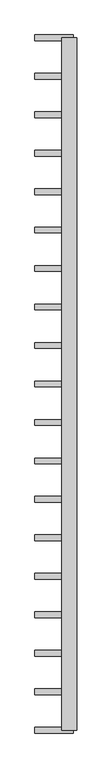
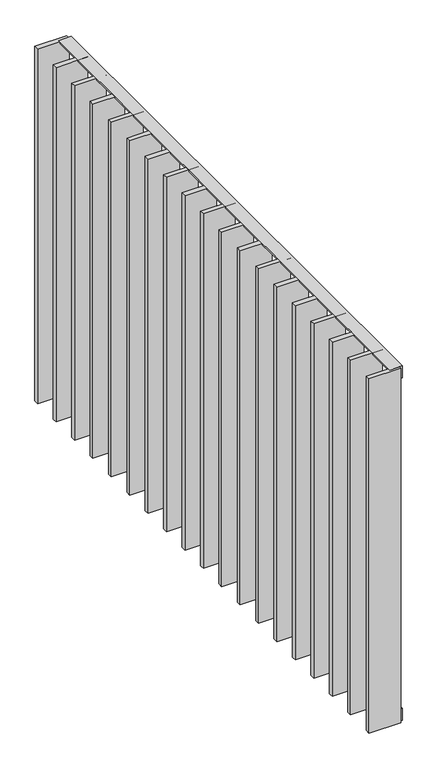
"""IFC4 building model written with IfcOpenShell, lengths in millimetres: railing geometry."""

from ifc_helpers import new_model, si_unit, frame, origin, place, context, project, spatial, polyline, outline, extrude, source, transform, mapped, element, save


def railing_60c10d57(model_context):
    return source(origin(), model_context, "Body", "SweptSolid", [
        extrude(outline(polyline([(6.0, -14.0), (40.0, -14.0), (40.0, -20.0), (0.0, -20.0), (0.0, 20.0), (6.0, 20.0), (6.0, -14.0)])), frame((4559.5112278, 21360.9194272, 8000.0), z_axis=(-2.544438619277312e-12, 1.0, 0.0), x_axis=(0.0, 0.0, -1.0)), (0.0, 0.0, 1.0), 1810.0),
        extrude(outline(polyline([(-6.0, -14.0), (-6.0, 20.0), (0.0, 20.0), (0.0, -20.0), (-40.0, -20.0), (-40.0, -14.0), (-6.0, -14.0)])), frame((4559.5112278, 21360.9194272, 6820.0), z_axis=(-2.544438619277312e-12, 1.0, 0.0), x_axis=(0.0, 0.0, -1.0)), (0.0, 0.0, 1.0), 1810.0),
        extrude(outline(polyline([(4569.5112278, 21468.9749827), (4569.5112278, 21453.9749827), (4469.5112278, 21453.9749827), (4469.5112278, 21468.9749827), (4569.5112278, 21468.9749827)])), frame((0.0, 0.0, 6819.9), z_axis=(0.0, 0.0, 1.0), x_axis=(1.0, 0.0, 0.0)), (0.0, 0.0, 1.0), 1180.2),
        extrude(outline(polyline([(4569.5112278, 21569.5305383), (4569.5112278, 21554.5305383), (4469.5112278, 21554.5305383), (4469.5112278, 21569.5305383), (4569.5112278, 21569.5305383)])), frame((0.0, 0.0, 6819.9), z_axis=(0.0, 0.0, 1.0), x_axis=(1.0, 0.0, 0.0)), (0.0, 0.0, 1.0), 1180.2),
        extrude(outline(polyline([(4569.5112278, 21670.0860938), (4569.5112278, 21655.0860938), (4469.5112278, 21655.0860938), (4469.5112278, 21670.0860938), (4569.5112278, 21670.0860938)])), frame((0.0, 0.0, 6819.9), z_axis=(0.0, 0.0, 1.0), x_axis=(1.0, 0.0, 0.0)), (0.0, 0.0, 1.0), 1180.2),
        extrude(outline(polyline([(4569.5112278, 21770.6416494), (4569.5112278, 21755.6416494), (4469.5112278, 21755.6416494), (4469.5112278, 21770.6416494), (4569.5112278, 21770.6416494)])), frame((0.0, 0.0, 6819.9), z_axis=(0.0, 0.0, 1.0), x_axis=(1.0, 0.0, 0.0)), (0.0, 0.0, 1.0), 1180.2),
        extrude(outline(polyline([(4569.5112278, 21871.1972049), (4569.5112278, 21856.1972049), (4469.5112278, 21856.1972049), (4469.5112278, 21871.1972049), (4569.5112278, 21871.1972049)])), frame((0.0, 0.0, 6819.9), z_axis=(0.0, 0.0, 1.0), x_axis=(1.0, 0.0, 0.0)), (0.0, 0.0, 1.0), 1180.2),
        extrude(outline(polyline([(4569.5112278, 21971.7527605), (4569.5112278, 21956.7527605), (4469.5112278, 21956.7527605), (4469.5112278, 21971.7527605), (4569.5112278, 21971.7527605)])), frame((0.0, 0.0, 6819.9), z_axis=(0.0, 0.0, 1.0), x_axis=(1.0, 0.0, 0.0)), (0.0, 0.0, 1.0), 1180.2),
        extrude(outline(polyline([(4569.5112278, 22072.308316), (4569.5112278, 22057.308316), (4469.5112278, 22057.308316), (4469.5112278, 22072.308316), (4569.5112278, 22072.308316)])), frame((0.0, 0.0, 6819.9), z_axis=(0.0, 0.0, 1.0), x_axis=(1.0, 0.0, 0.0)), (0.0, 0.0, 1.0), 1180.2),
        extrude(outline(polyline([(4569.5112278, 22172.8638716), (4569.5112278, 22157.8638716), (4469.5112278, 22157.8638716), (4469.5112278, 22172.8638716), (4569.5112278, 22172.8638716)])), frame((0.0, 0.0, 6819.9), z_axis=(0.0, 0.0, 1.0), x_axis=(1.0, 0.0, 0.0)), (0.0, 0.0, 1.0), 1180.2),
        extrude(outline(polyline([(4569.5112278, 22273.4194272), (4569.5112278, 22258.4194272), (4469.5112278, 22258.4194272), (4469.5112278, 22273.4194272), (4569.5112278, 22273.4194272)])), frame((0.0, 0.0, 6819.9), z_axis=(0.0, 0.0, 1.0), x_axis=(1.0, 0.0, 0.0)), (0.0, 0.0, 1.0), 1180.2),
        extrude(outline(polyline([(4569.5112278, 22373.9749827), (4569.5112278, 22358.9749827), (4469.5112278, 22358.9749827), (4469.5112278, 22373.9749827), (4569.5112278, 22373.9749827)])), frame((0.0, 0.0, 6819.9), z_axis=(0.0, 0.0, 1.0), x_axis=(1.0, 0.0, 0.0)), (0.0, 0.0, 1.0), 1180.2),
        extrude(outline(polyline([(4569.5112278, 22474.5305383), (4569.5112278, 22459.5305383), (4469.5112278, 22459.5305383), (4469.5112278, 22474.5305383), (4569.5112278, 22474.5305383)])), frame((0.0, 0.0, 6819.9), z_axis=(0.0, 0.0, 1.0), x_axis=(1.0, 0.0, 0.0)), (0.0, 0.0, 1.0), 1180.2),
        extrude(outline(polyline([(4569.5112278, 22575.0860938), (4569.5112278, 22560.0860938), (4469.5112278, 22560.0860938), (4469.5112278, 22575.0860938), (4569.5112278, 22575.0860938)])), frame((0.0, 0.0, 6819.9), z_axis=(0.0, 0.0, 1.0), x_axis=(1.0, 0.0, 0.0)), (0.0, 0.0, 1.0), 1180.2),
        extrude(outline(polyline([(4569.5112278, 22675.6416494), (4569.5112278, 22660.6416494), (4469.5112278, 22660.6416494), (4469.5112278, 22675.6416494), (4569.5112278, 22675.6416494)])), frame((0.0, 0.0, 6819.9), z_axis=(0.0, 0.0, 1.0), x_axis=(1.0, 0.0, 0.0)), (0.0, 0.0, 1.0), 1180.2),
        extrude(outline(polyline([(4569.5112278, 22776.1972049), (4569.5112278, 22761.1972049), (4469.5112278, 22761.1972049), (4469.5112278, 22776.1972049), (4569.5112278, 22776.1972049)])), frame((0.0, 0.0, 6819.9), z_axis=(0.0, 0.0, 1.0), x_axis=(1.0, 0.0, 0.0)), (0.0, 0.0, 1.0), 1180.2),
        extrude(outline(polyline([(4569.5112278, 22876.7527605), (4569.5112278, 22861.7527605), (4469.5112278, 22861.7527605), (4469.5112278, 22876.7527605), (4569.5112278, 22876.7527605)])), frame((0.0, 0.0, 6819.9), z_axis=(0.0, 0.0, 1.0), x_axis=(1.0, 0.0, 0.0)), (0.0, 0.0, 1.0), 1180.2),
        extrude(outline(polyline([(4569.5112278, 22977.308316), (4569.5112278, 22962.308316), (4469.5112278, 22962.308316), (4469.5112278, 22977.308316), (4569.5112278, 22977.308316)])), frame((0.0, 0.0, 6819.9), z_axis=(0.0, 0.0, 1.0), x_axis=(1.0, 0.0, 0.0)), (0.0, 0.0, 1.0), 1180.2),
        extrude(outline(polyline([(4569.5112278, 23077.8638716), (4569.5112278, 23062.8638716), (4469.5112278, 23062.8638716), (4469.5112278, 23077.8638716), (4569.5112278, 23077.8638716)])), frame((0.0, 0.0, 6819.9), z_axis=(0.0, 0.0, 1.0), x_axis=(1.0, 0.0, 0.0)), (0.0, 0.0, 1.0), 1180.2),
        extrude(outline(polyline([(4569.5112278, 21368.4194272), (4569.5112278, 21353.4194272), (4469.5112278, 21353.4194272), (4469.5112278, 21368.4194272), (4569.5112278, 21368.4194272)])), frame((0.0, 0.0, 6819.9), z_axis=(0.0, 0.0, 1.0), x_axis=(1.0, 0.0, 0.0)), (0.0, 0.0, 1.0), 1180.2),
        extrude(outline(polyline([(4569.5112278, 23178.4194272), (4569.5112278, 23163.4194272), (4469.5112278, 23163.4194272), (4469.5112278, 23178.4194272), (4569.5112278, 23178.4194272)])), frame((0.0, 0.0, 6819.9), z_axis=(0.0, 0.0, 1.0), x_axis=(1.0, 0.0, 0.0)), (0.0, 0.0, 1.0), 1180.2),
    ])


if __name__ == "__main__":
    model = new_model("IFC4")
    model_context = context("Model", 3, world=origin())
    ifc_project = project(units=[si_unit("LENGTHUNIT", "METRE", prefix="MILLI")], contexts=[model_context])
    site = spatial("IfcSite", under=ifc_project)
    building = spatial("IfcBuilding", under=site)
    placement = place(None, origin())
    railing_shape = railing_60c10d57(model_context)
    element("IfcRailing", 1, at=placement, inside=building, context=model_context, shape_type="MappedRepresentation", body=[
        mapped(railing_shape, transform((0.0, 0.0, 0.0), x_axis=(1.0, 0.0, 0.0), y_axis=(0.0, 1.0, 0.0), z_axis=(0.0, 0.0, 1.0))),
    ])
    save(model, "model.ifc")
